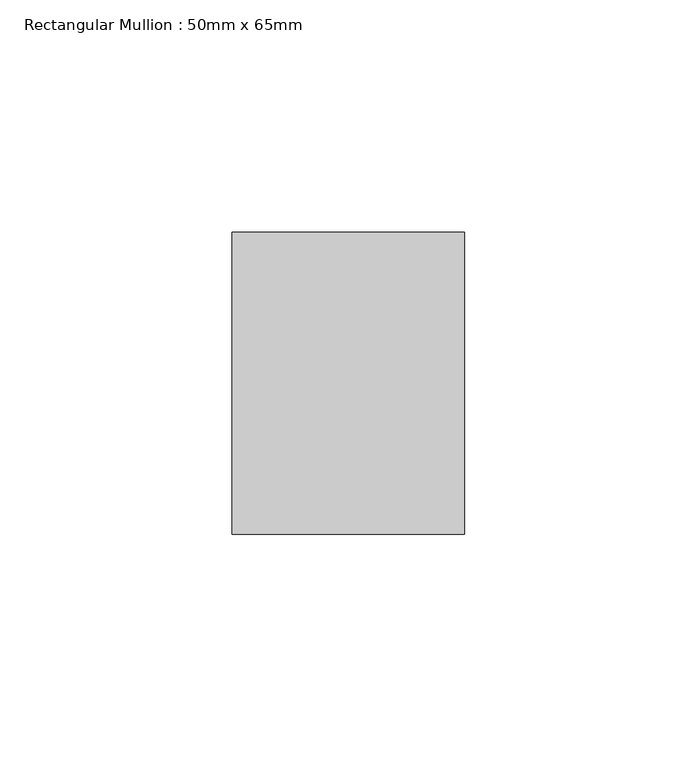
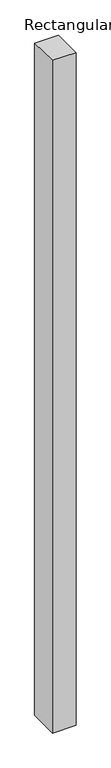
"""IFC4 building model written with IfcOpenShell, lengths in millimetres: member geometry, Rectangular Mullion : 50mm x 65mm."""

from ifc_helpers import new_model, si_unit, origin, place, context, project, spatial, faceted_brep, source, transform, mapped, element, save


def rectangular_mullion_50mm_x_65mm_c8a0847d(model_context):
    return source(origin(), model_context, "Body", "Brep", [
        faceted_brep([(-25.0, 32.5, -0.4966776), (25.0, 32.5, -0.4966782), (25.0, 32.5, -1499.5926523), (-25.0, 32.5, -1499.5926527), (-25.0, -32.5, 0.4966782), (-25.0, -32.5, -1500.4073051), (25.0, -32.5, 0.4966776), (25.0, -32.5, -1500.4073047)], [[[0, 1, 2, 3]], [[4, 0, 3, 5]], [[6, 4, 5, 7]], [[1, 6, 7, 2]], [[1, 0, 4, 6]], [[2, 7, 5, 3]]]),
    ])


if __name__ == "__main__":
    model = new_model("IFC4")
    model_context = context("Model", 3, world=origin())
    ifc_project = project(units=[si_unit("LENGTHUNIT", "METRE", prefix="MILLI")], contexts=[model_context])
    site = spatial("IfcSite", under=ifc_project)
    building = spatial("IfcBuilding", under=site)
    placement = place(None, origin())
    rectangular_mullion_50mm_x_65mm_shape = rectangular_mullion_50mm_x_65mm_c8a0847d(model_context)
    element("IfcMember", 1, ObjectType="Rectangular Mullion : 50mm x 65mm", at=placement, inside=building, context=model_context, shape_type="MappedRepresentation", body=[
        mapped(rectangular_mullion_50mm_x_65mm_shape, transform((0.0, 0.0, 0.0), x_axis=(1.0, 0.0, 0.0), y_axis=(0.0, 1.0, 0.0), z_axis=(0.0, 0.0, 1.0))),
    ])
    save(model, "model.ifc")
